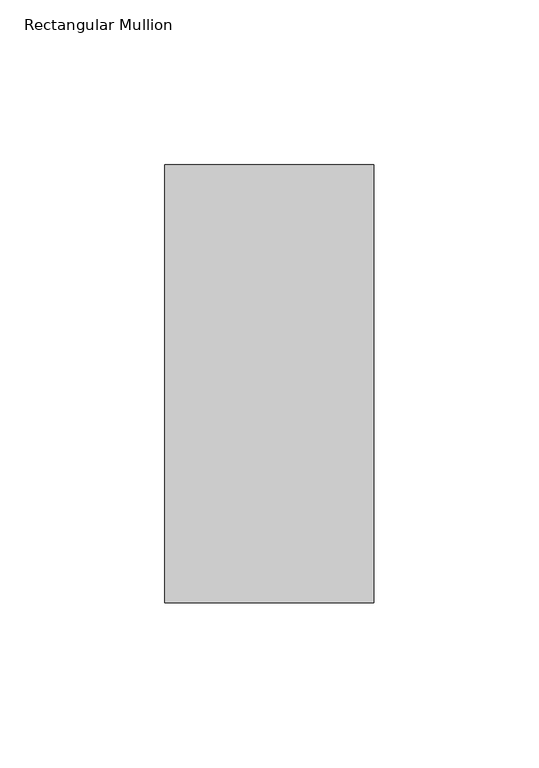
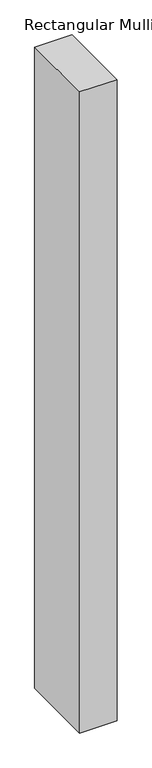
"""IFC4 building model written with IfcOpenShell, lengths in millimetres: member geometry, Rectangular Mullion."""

from ifc_helpers import new_model, si_unit, frame, origin, place, context, project, spatial, polyline, outline, extrude, source, transform, mapped, element, save


def rectangular_mullion_4371b163(model_context):
    return source(origin(), model_context, "Body", "SweptSolid", [
        extrude(outline(polyline([(31.75, 190.5896938), (31.75, 57.6460938), (-31.75, 57.6460937), (-31.75, 190.5896938), (31.75, 190.5896938)])), frame((0.0, 0.0, -1155.7), z_axis=(0.0, 0.0, 1.0), x_axis=(1.0, 0.0, 0.0)), (0.0, 0.0, 1.0), 1155.7),
    ])


if __name__ == "__main__":
    model = new_model("IFC4")
    model_context = context("Model", 3, world=origin())
    ifc_project = project(units=[si_unit("LENGTHUNIT", "METRE", prefix="MILLI")], contexts=[model_context])
    site = spatial("IfcSite", under=ifc_project)
    building = spatial("IfcBuilding", under=site)
    placement = place(None, origin())
    rectangular_mullion_shape = rectangular_mullion_4371b163(model_context)
    element("IfcMember", 1, ObjectType="Rectangular Mullion", at=placement, inside=building, context=model_context, shape_type="MappedRepresentation", body=[
        mapped(rectangular_mullion_shape, transform((0.0, 0.0, 0.0), x_axis=(1.0, 0.0, 0.0), y_axis=(0.0, 1.0, 0.0), z_axis=(0.0, 0.0, 1.0))),
    ])
    save(model, "model.ifc")
